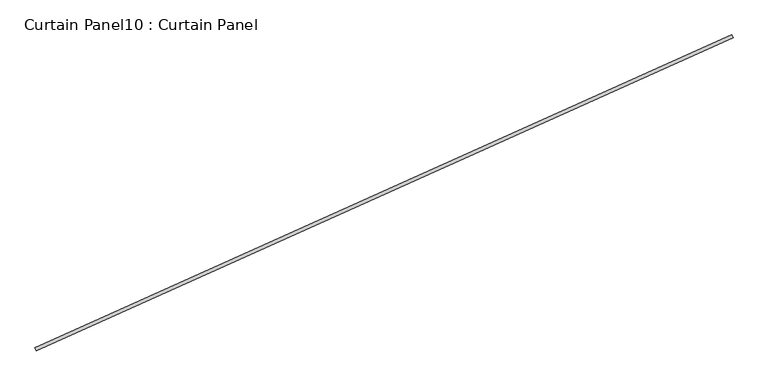
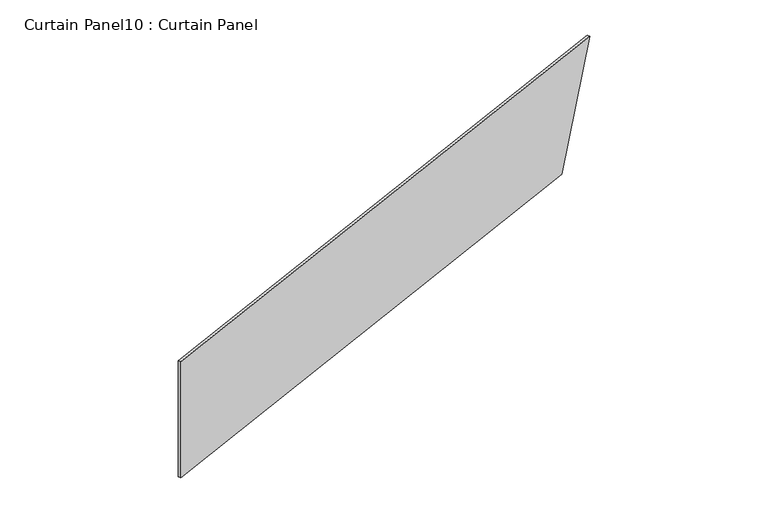
"""IFC4 building model written with IfcOpenShell, lengths in millimetres: plate geometry, Curtain Panel10 : Curtain Panel."""

from ifc_helpers import new_model, si_unit, frame, origin, place, context, project, spatial, polyline, outline, extrude, source, transform, mapped, element, save


def curtain_panel10_curtain_panel_e2888d7d(model_context):
    return source(origin(), model_context, "Body", "SweptSolid", [
        extrude(outline(polyline([(0.0, 0.0), (0.0, -5616.8249544), (-1219.2, -6028.3950939), (-1219.2, 0.0), (0.0, 0.0)])), frame((36557.5770857, -12836.3437505, 14630.4), z_axis=(-0.4102319712783583, 0.9119812112873117, 0.0), x_axis=(0.0, 0.0, -1.0)), (0.0, 0.0, 1.0), 25.4),
    ])


if __name__ == "__main__":
    model = new_model("IFC4")
    model_context = context("Model", 3, world=origin())
    ifc_project = project(units=[si_unit("LENGTHUNIT", "METRE", prefix="MILLI")], contexts=[model_context])
    site = spatial("IfcSite", under=ifc_project)
    building = spatial("IfcBuilding", under=site)
    placement = place(None, origin())
    curtain_panel10_curtain_panel_shape = curtain_panel10_curtain_panel_e2888d7d(model_context)
    element("IfcPlate", 1, ObjectType="Curtain Panel10 : Curtain Panel", at=placement, inside=building, context=model_context, shape_type="MappedRepresentation", body=[
        mapped(curtain_panel10_curtain_panel_shape, transform((0.0, 0.0, 0.0), x_axis=(1.0, 0.0, 0.0), y_axis=(0.0, 1.0, 0.0), z_axis=(0.0, 0.0, 1.0))),
    ])
    save(model, "model.ifc")
